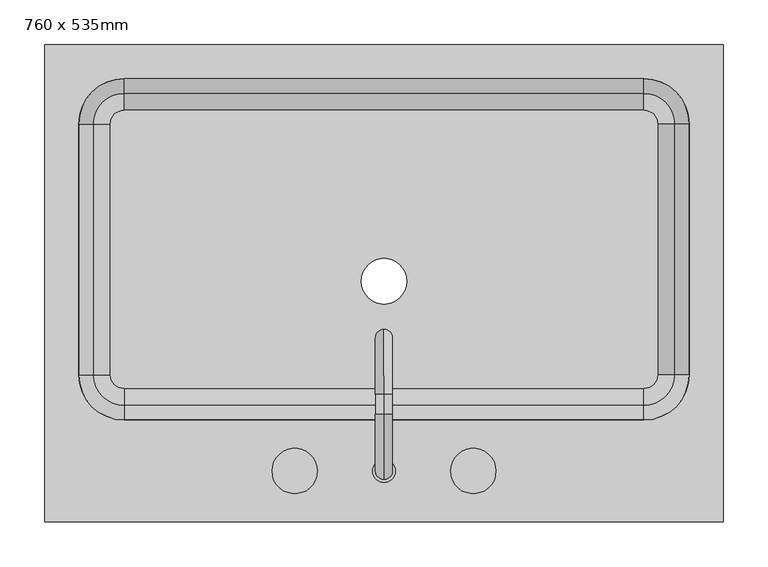
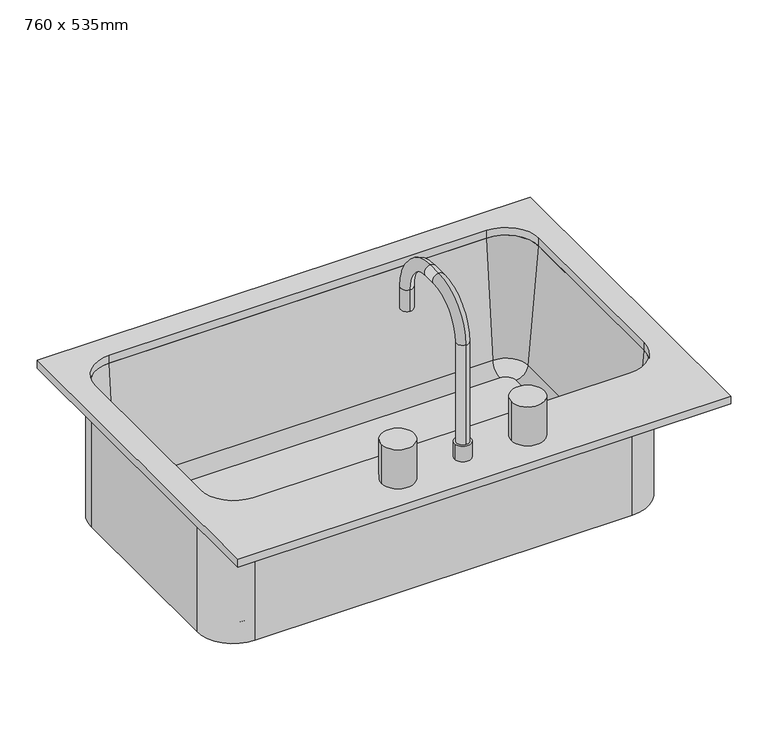
"""IFC4 building model written with IfcOpenShell, lengths in millimetres: flow terminal geometry, 760 x 535mm."""

from ifc_helpers import new_model, si_unit, point, frame, frame_2d, origin, place, context, project, spatial, polyline, circle_curve, ellipse_curve, trimmed, segment, composite_curve, outline, extrude, source, transform, mapped, element, save
from ifc_brep_helpers import plane_surface, cylinder_surface, revolved_surface, advanced_brep


def flow_terminal_760_x_535mm_b3a6edb1(model_context):
    return source(origin(), model_context, "Body", "SolidModel", [
        advanced_brep(
        [(363.9392406, -104.7454011, 684.1), (363.9392406, -104.7454011, 900.0), (306.7892406, -161.8954011, 900.0), (306.7892406, -161.8954011, 684.1), (-275.4107594, -161.8954011, 684.1), (-332.5607594, -104.7454011, 684.1), (-332.5607594, 176.2545989, 684.1), (-275.4107594, 233.4045989, 684.1), (306.7892406, 233.4045989, 684.1), (363.9392406, 176.2545989, 684.1), (-9.7107594, 0.0, 684.1), (41.0892406, 0.0, 684.1), (322.0776588, -104.7454011, 693.625), (322.0776588, 176.2545989, 693.625), (306.7892406, 191.5430171, 693.625), (-275.4107594, 191.5430171, 693.625), (-290.6991776, 176.2545989, 693.625), (-290.6991776, -104.7454011, 693.625), (-275.4107594, -120.0338193, 693.625), (306.7892406, -120.0338193, 693.625), (-9.7107594, 0.0, 693.625), (41.0892406, 0.0, 693.625), (306.7892406, -139.0113283, 711.0146831), (341.0551678, -104.7454011, 711.0146831), (306.7892406, -155.5454011, 900.0), (357.5892406, -104.7454011, 900.0), (363.9392406, 176.2545989, 900.0), (341.0551678, 176.2545989, 711.0146831), (357.5892406, 176.2545989, 900.0), (306.7892406, 233.4045989, 900.0), (306.7892406, 210.5205261, 711.0146831), (306.7892406, 227.0545989, 900.0), (-275.4107594, 233.4045989, 900.0), (-275.4107594, 210.5205261, 711.0146831), (-275.4107594, 227.0545989, 900.0), (-332.5607594, 176.2545989, 900.0), (-309.6766866, 176.2545989, 711.0146831), (-326.2107594, 176.2545989, 900.0), (-332.5607594, -104.7454011, 900.0), (-309.6766866, -104.7454011, 711.0146831), (-326.2107594, -104.7454011, 900.0), (-275.4107594, -161.8954011, 900.0), (-275.4107594, -139.0113283, 711.0146831), (-275.4107594, -155.5454011, 900.0)],
        [
            (0, 1),
            (1, 2, circle_curve(frame((306.7892406, -104.7454011, 900.0), z_axis=(0.0, 0.0, -1.0), x_axis=(0.0, -1.0, 0.0)), 57.15)),
            (2, 3),
            (3, 0, circle_curve(frame((306.7892406, -104.7454011, 684.1), z_axis=(0.0, 0.0, 1.0), x_axis=(0.0, -1.0, 0.0)), 57.15)),
            (3, 4),
            (4, 5, circle_curve(frame((-275.4107594, -104.7454011, 684.1), z_axis=(0.0, 0.0, -1.0), x_axis=(-1.0, 0.0, 0.0)), 57.15)),
            (5, 6),
            (6, 7, circle_curve(frame((-275.4107594, 176.2545989, 684.1), z_axis=(0.0, 0.0, -1.0), x_axis=(0.0, 1.0, 0.0)), 57.15)),
            (7, 8),
            (8, 9, circle_curve(frame((306.7892406, 176.2545989, 684.1), z_axis=(0.0, 0.0, -1.0), x_axis=(1.0, 0.0, 0.0)), 57.15)),
            (9, 0),
            (10, 11, circle_curve(frame((15.6892406, 0.0, 684.1), z_axis=(0.0, 0.0, 1.0), x_axis=(1.0, 0.0, 0.0)), 25.4)),
            (11, 10, circle_curve(frame((15.6892406, 0.0, 684.1), z_axis=(0.0, 0.0, 1.0), x_axis=(1.0, 0.0, 0.0)), 25.4)),
            (12, 13),
            (13, 14, circle_curve(frame((306.7892406, 176.2545989, 693.625), z_axis=(0.0, 0.0, 1.0), x_axis=(1.0, 0.0, 0.0)), 15.2884182)),
            (14, 15),
            (15, 16, circle_curve(frame((-275.4107594, 176.2545989, 693.625), z_axis=(0.0, 0.0, 1.0), x_axis=(0.0, 1.0, 0.0)), 15.2884182)),
            (16, 17),
            (17, 18, circle_curve(frame((-275.4107594, -104.7454011, 693.625), z_axis=(0.0, 0.0, 1.0), x_axis=(-1.0, 0.0, 0.0)), 15.2884182)),
            (18, 19),
            (19, 12, circle_curve(frame((306.7892406, -104.7454011, 693.625), z_axis=(0.0, 0.0, 1.0), x_axis=(0.0, -1.0, 0.0)), 15.2884182)),
            (20, 21, circle_curve(frame((15.6892406, 0.0, 693.625), z_axis=(0.0, 0.0, -1.0), x_axis=(1.0, 0.0, 0.0)), 25.4)),
            (21, 20, circle_curve(frame((15.6892406, 0.0, 693.625), z_axis=(0.0, 0.0, -1.0), x_axis=(1.0, 0.0, 0.0)), 25.4)),
            (19, 22, circle_curve(frame((306.7892406, -120.0338193, 712.675), z_axis=(-1.0, 0.0, 0.0), x_axis=(0.0, -1.0, 0.0)), 19.05)),
            (22, 23, circle_curve(frame((306.7892406, -104.7454011, 711.0146831), z_axis=(0.0, 0.0, 1.0), x_axis=(0.0, -1.0, 0.0)), 34.2659272)),
            (23, 12, circle_curve(frame((322.0776588, -104.7454011, 712.675), z_axis=(0.0, 1.0, 0.0), x_axis=(1.0, 0.0, 0.0)), 19.05)),
            (22, 24),
            (24, 25, circle_curve(frame((306.7892406, -104.7454011, 900.0), z_axis=(0.0, 0.0, 1.0), x_axis=(0.0, -1.0, 0.0)), 50.8)),
            (25, 23),
            (1, 25),
            (24, 2),
            (9, 26),
            (26, 1),
            (23, 27),
            (27, 13, circle_curve(frame((322.0776588, 176.2545989, 712.675), z_axis=(0.0, 1.0, 0.0), x_axis=(1.0, 0.0, 0.0)), 19.05)),
            (25, 28),
            (28, 27),
            (26, 28),
            (8, 29),
            (29, 26, circle_curve(frame((306.7892406, 176.2545989, 900.0), z_axis=(0.0, 0.0, -1.0), x_axis=(1.0, 0.0, 0.0)), 57.15)),
            (27, 30, circle_curve(frame((306.7892406, 176.2545989, 711.0146831), z_axis=(0.0, 0.0, 1.0), x_axis=(1.0, 0.0, 0.0)), 34.2659272)),
            (30, 14, circle_curve(frame((306.7892406, 191.5430171, 712.675), z_axis=(-1.0, 0.0, 0.0), x_axis=(0.0, 1.0, 0.0)), 19.05)),
            (28, 31, circle_curve(frame((306.7892406, 176.2545989, 900.0), z_axis=(0.0, 0.0, 1.0), x_axis=(1.0, 0.0, 0.0)), 50.8)),
            (31, 30),
            (29, 31),
            (7, 32),
            (32, 29),
            (30, 33),
            (33, 15, circle_curve(frame((-275.4107594, 191.5430171, 712.675), z_axis=(-1.0, 0.0, 0.0), x_axis=(0.0, 1.0, 0.0)), 19.05)),
            (31, 34),
            (34, 33),
            (32, 34),
            (6, 35),
            (35, 32, circle_curve(frame((-275.4107594, 176.2545989, 900.0), z_axis=(0.0, 0.0, -1.0), x_axis=(0.0, 1.0, 0.0)), 57.15)),
            (33, 36, circle_curve(frame((-275.4107594, 176.2545989, 711.0146831), z_axis=(0.0, 0.0, 1.0), x_axis=(0.0, 1.0, 0.0)), 34.2659272)),
            (36, 16, circle_curve(frame((-290.6991776, 176.2545989, 712.675), z_axis=(0.0, -1.0, 0.0), x_axis=(-1.0, 0.0, 0.0)), 19.05)),
            (34, 37, circle_curve(frame((-275.4107594, 176.2545989, 900.0), z_axis=(0.0, 0.0, 1.0), x_axis=(0.0, 1.0, 0.0)), 50.8)),
            (37, 36),
            (35, 37),
            (5, 38),
            (38, 35),
            (36, 39),
            (39, 17, circle_curve(frame((-290.6991776, -104.7454011, 712.675), z_axis=(0.0, -1.0, 0.0), x_axis=(-1.0, 0.0, 0.0)), 19.05)),
            (37, 40),
            (40, 39),
            (38, 40),
            (4, 41),
            (41, 38, circle_curve(frame((-275.4107594, -104.7454011, 900.0), z_axis=(0.0, 0.0, -1.0), x_axis=(-1.0, 0.0, 0.0)), 57.15)),
            (39, 42, circle_curve(frame((-275.4107594, -104.7454011, 711.0146831), z_axis=(0.0, 0.0, 1.0), x_axis=(-1.0, 0.0, 0.0)), 34.2659272)),
            (42, 18, circle_curve(frame((-275.4107594, -120.0338193, 712.675), z_axis=(1.0, 0.0, 0.0), x_axis=(0.0, -1.0, 0.0)), 19.05)),
            (40, 43, circle_curve(frame((-275.4107594, -104.7454011, 900.0), z_axis=(0.0, 0.0, 1.0), x_axis=(-1.0, 0.0, 0.0)), 50.8)),
            (43, 42),
            (41, 43),
            (2, 41),
            (42, 22),
            (43, 24),
            (21, 11),
            (10, 20),
        ],
        [
            cylinder_surface(frame((306.7892406, -104.7454011, 0.0), z_axis=(0.0, 0.0, -1.0), x_axis=(0.0, -1.0, 0.0)), 57.15),
            plane_surface(frame((306.7892406, -104.7454011, 684.1), z_axis=(0.0, 0.0, -1.0), x_axis=(0.0, -1.0, 0.0))),
            plane_surface(frame((306.7892406, -104.7454011, 693.625), z_axis=(0.0, 0.0, 1.0), x_axis=(0.0, -1.0, 0.0))),
            revolved_surface(trimmed(ellipse_curve(frame((306.7892406, -120.0338193, 712.675), z_axis=(-1.0, 0.0, 0.0), x_axis=(0.0, -1.0, 0.0)), 19.05, 19.05), [point((306.7892406, -120.0338193, 693.625))], [point((306.7892406, -139.0113283, 711.0146831))], True, "CARTESIAN"), (306.7892406, -104.7454011, 0.0), (0.0, 0.0, -1.0)),
            revolved_surface(polyline([(306.7892406, -139.0113283, 711.0146831), (306.7892406, -155.5454011, 900.0)]), (306.7892406, -104.7454011, 0.0), (0.0, 0.0, -1.0)),
            plane_surface(frame((306.7892406, -104.7454011, 900.0), z_axis=(0.0, 0.0, 1.0), x_axis=(0.0, -1.0, 0.0))),
            plane_surface(frame((363.9392406, -104.7454011, 900.0), z_axis=(1.0, 0.0, 0.0), x_axis=(0.0, 1.0, 0.0))),
            revolved_surface(polyline([(341.1276588, 176.25459890000002, 712.675), (341.1276588, -104.7454011, 712.675)]), (322.0776588, -104.7454011, 712.675), (0.0, 1.0, 0.0)),
            plane_surface(frame((341.0551678, -104.7454011, 711.0146831), z_axis=(-0.9961946980917443, 0.0, 0.08715574274767235), x_axis=(0.0, 1.0, 0.0))),
            plane_surface(frame((357.5892406, -104.7454011, 900.0), z_axis=(0.0, 0.0, 1.0), x_axis=(0.0, 1.0, 0.0))),
            cylinder_surface(frame((306.7892406, 176.2545989, 0.0), z_axis=(0.0, 0.0, -1.0), x_axis=(1.0, 0.0, 0.0)), 57.15),
            revolved_surface(trimmed(ellipse_curve(frame((322.0776588, 176.2545989, 712.675), z_axis=(0.0, -1.0, 0.0), x_axis=(1.0, 0.0, 0.0)), 19.05, 19.05), [point((322.0776588, 176.2545989, 693.625))], [point((341.0551678, 176.2545989, 711.0146831))], True, "CARTESIAN"), (306.7892406, 176.2545989, 0.0), (0.0, 0.0, -1.0)),
            revolved_surface(polyline([(341.0551678, 176.2545989, 711.0146831), (357.5892406, 176.2545989, 900.0)]), (306.7892406, 176.2545989, 0.0), (0.0, 0.0, -1.0)),
            plane_surface(frame((306.7892406, 176.2545989, 900.0), z_axis=(0.0, 0.0, 1.0), x_axis=(1.0, 0.0, 0.0))),
            plane_surface(frame((306.7892406, 233.4045989, 900.0), z_axis=(0.0, 1.0, 0.0), x_axis=(-1.0, 0.0, 0.0))),
            revolved_surface(polyline([(-275.4107594, 210.5930171, 712.675), (306.7892406, 210.5930171, 712.675)]), (306.7892406, 191.5430171, 712.675), (-1.0, 0.0, 0.0)),
            plane_surface(frame((306.7892406, 210.5205261, 711.0146831), z_axis=(0.0, -0.9961946980917443, 0.08715574274767235), x_axis=(-1.0, 0.0, 0.0))),
            plane_surface(frame((306.7892406, 227.0545989, 900.0), z_axis=(0.0, 0.0, 1.0), x_axis=(-1.0, 0.0, 0.0))),
            cylinder_surface(frame((-275.4107594, 176.2545989, 0.0), z_axis=(0.0, 0.0, -1.0), x_axis=(0.0, 1.0, 0.0)), 57.15),
            revolved_surface(trimmed(ellipse_curve(frame((-275.4107594, 191.5430171, 712.675), z_axis=(1.0, 0.0, 0.0), x_axis=(0.0, 1.0, 0.0)), 19.05, 19.05), [point((-275.4107594, 191.5430171, 693.625))], [point((-275.4107594, 210.5205261, 711.0146831))], True, "CARTESIAN"), (-275.4107594, 176.2545989, 0.0), (0.0, 0.0, -1.0)),
            revolved_surface(polyline([(-275.4107594, 210.5205261, 711.0146831), (-275.4107594, 227.0545989, 900.0)]), (-275.4107594, 176.2545989, 0.0), (0.0, 0.0, -1.0)),
            plane_surface(frame((-275.4107594, 176.2545989, 900.0), z_axis=(0.0, 0.0, 1.0), x_axis=(0.0, 1.0, 0.0))),
            plane_surface(frame((-332.5607594, 176.2545989, 900.0), z_axis=(-1.0, 0.0, 0.0), x_axis=(0.0, -1.0, 0.0))),
            revolved_surface(polyline([(-309.7491776, -104.74540110000001, 712.675), (-309.7491776, 176.2545989, 712.675)]), (-290.6991776, 176.2545989, 712.675), (0.0, -1.0, 0.0)),
            plane_surface(frame((-309.6766866, 176.2545989, 711.0146831), z_axis=(0.9961946980917443, 0.0, 0.08715574274767235), x_axis=(0.0, -1.0, 0.0))),
            plane_surface(frame((-326.2107594, 176.2545989, 900.0), z_axis=(0.0, 0.0, 1.0), x_axis=(0.0, -1.0, 0.0))),
            cylinder_surface(frame((-275.4107594, -104.7454011, 0.0), z_axis=(0.0, 0.0, -1.0), x_axis=(-1.0, 0.0, 0.0)), 57.15),
            revolved_surface(trimmed(ellipse_curve(frame((-290.6991776, -104.7454011, 712.675), z_axis=(0.0, 1.0, 0.0), x_axis=(-1.0, 0.0, 0.0)), 19.05, 19.05), [point((-290.6991776, -104.7454011, 693.625))], [point((-309.6766866, -104.7454011, 711.0146831))], True, "CARTESIAN"), (-275.4107594, -104.7454011, 0.0), (0.0, 0.0, -1.0)),
            revolved_surface(polyline([(-309.6766866, -104.7454011, 711.0146831), (-326.2107594, -104.7454011, 900.0)]), (-275.4107594, -104.7454011, 0.0), (0.0, 0.0, -1.0)),
            plane_surface(frame((-275.4107594, -104.7454011, 900.0), z_axis=(0.0, 0.0, 1.0), x_axis=(-1.0, 0.0, 0.0))),
            plane_surface(frame((-275.4107594, -161.8954011, 900.0), z_axis=(0.0, -1.0, 0.0), x_axis=(1.0, 0.0, 0.0))),
            revolved_surface(polyline([(306.7892406, -139.08381930000002, 712.675), (-275.4107594, -139.08381930000002, 712.675)]), (-275.4107594, -120.0338193, 712.675), (1.0, 0.0, 0.0)),
            plane_surface(frame((-275.4107594, -139.0113283, 711.0146831), z_axis=(0.0, 0.9961946980917443, 0.08715574274767235), x_axis=(1.0, 0.0, 0.0))),
            plane_surface(frame((-275.4107594, -155.5454011, 900.0), z_axis=(0.0, 0.0, 1.0), x_axis=(1.0, 0.0, 0.0))),
            revolved_surface(polyline([(41.0892406, 0.0, 684.1), (41.0892406, 0.0, 693.625)]), (15.6892406, 0.0, 0.0), (0.0, 0.0, -1.0)),
        ],
        [
            (0, [[1, 2, 3, 4]]),
            (1, [[5, 6, 7, 8, 9, 10, 11, -4], [12, 13]]),
            (2, [[14, 15, 16, 17, 18, 19, 20, 21], [22, 23]]),
            (3, [[24, 25, 26, -21]]),
            (4, [[27, 28, 29, -25]]),
            (5, [[30, -28, 31, -2]]),
            (6, [[-11, 32, 33, -1]]),
            (7, [[34, 35, -14, -26]]),
            (8, [[36, 37, -34, -29]]),
            (9, [[-33, 38, -36, -30]]),
            (10, [[-10, 39, 40, -32]]),
            (11, [[41, 42, -15, -35]]),
            (12, [[43, 44, -41, -37]]),
            (13, [[-40, 45, -43, -38]]),
            (14, [[-9, 46, 47, -39]]),
            (15, [[48, 49, -16, -42]]),
            (16, [[50, 51, -48, -44]]),
            (17, [[-47, 52, -50, -45]]),
            (18, [[-8, 53, 54, -46]]),
            (19, [[55, 56, -17, -49]]),
            (20, [[57, 58, -55, -51]]),
            (21, [[-54, 59, -57, -52]]),
            (22, [[-7, 60, 61, -53]]),
            (23, [[62, 63, -18, -56]]),
            (24, [[64, 65, -62, -58]]),
            (25, [[-61, 66, -64, -59]]),
            (26, [[-6, 67, 68, -60]]),
            (27, [[69, 70, -19, -63]]),
            (28, [[71, 72, -69, -65]]),
            (29, [[-68, 73, -71, -66]]),
            (30, [[74, -67, -5, -3]]),
            (31, [[-20, -70, 75, -24]]),
            (32, [[-75, -72, 76, -27]]),
            (33, [[-76, -73, -74, -31]]),
            (34, [[77, -12, 78, -23]]),
            (34, [[-78, -13, -77, -22]]),
        ],
    ),
        advanced_brep(
        [(2.9892406, -212.6954011, 938.1), (28.3892406, -212.6954011, 938.1), (15.6892406, -222.2204011, 938.1), (15.6892406, -203.1704011, 938.1), (2.9892406, -212.6954011, 912.7), (28.3892406, -212.6954011, 912.7), (15.6892406, -222.2204011, 1100.025), (15.6892406, -203.1704011, 1100.025), (15.6892406, -149.1954011, 1154.0), (15.6892406, -149.1954011, 1173.05), (15.6892406, -126.9704011, 1154.0), (15.6892406, -126.9704011, 1173.05), (15.6892406, -72.9954011, 1100.025), (15.6892406, -53.9454011, 1100.025), (15.6892406, -53.9454011, 1065.1), (15.6892406, -72.9954011, 1065.1)],
        [
            (0, 1, circle_curve(frame((15.6892406, -212.6954011, 938.1), z_axis=(0.0, 0.0, 1.0), x_axis=(1.0, 0.0, 0.0)), 12.7)),
            (1, 0, circle_curve(frame((15.6892406, -212.6954011, 938.1), z_axis=(0.0, 0.0, 1.0), x_axis=(1.0, 0.0, 0.0)), 12.7)),
            (2, 3, circle_curve(frame((15.6892406, -212.6954011, 938.1), z_axis=(0.0, 0.0, -1.0), x_axis=(0.0, 1.0, 0.0)), 9.525)),
            (3, 2, circle_curve(frame((15.6892406, -212.6954011, 938.1), z_axis=(0.0, 0.0, -1.0), x_axis=(0.0, 1.0, 0.0)), 9.525)),
            (4, 5, circle_curve(frame((15.6892406, -212.6954011, 912.7), z_axis=(0.0, 0.0, -1.0), x_axis=(1.0, 0.0, 0.0)), 12.7)),
            (5, 4, circle_curve(frame((15.6892406, -212.6954011, 912.7), z_axis=(0.0, 0.0, -1.0), x_axis=(1.0, 0.0, 0.0)), 12.7)),
            (1, 5),
            (4, 0),
            (6, 2),
            (3, 7),
            (7, 6, circle_curve(frame((15.6892406, -212.6954011, 1100.025), z_axis=(0.0, 0.0, -1.0), x_axis=(0.0, 1.0, 0.0)), 9.525)),
            (6, 7, circle_curve(frame((15.6892406, -212.6954011, 1100.025), z_axis=(0.0, 0.0, -1.0), x_axis=(0.0, 1.0, 0.0)), 9.525)),
            (7, 8, circle_curve(frame((15.6892406, -149.1954011, 1100.025), z_axis=(-1.0, 0.0, 0.0), x_axis=(0.0, -1.0, 0.0)), 53.975)),
            (8, 9, circle_curve(frame((15.6892406, -149.1954011, 1163.525), z_axis=(0.0, -1.0, 0.0), x_axis=(0.0, 0.0, -1.0)), 9.525)),
            (9, 6, circle_curve(frame((15.6892406, -149.1954011, 1100.025), z_axis=(1.0, 0.0, 0.0), x_axis=(0.0, -1.0, 0.0)), 73.025)),
            (9, 8, circle_curve(frame((15.6892406, -149.1954011, 1163.525), z_axis=(0.0, -1.0, 0.0), x_axis=(0.0, 0.0, -1.0)), 9.525)),
            (8, 10),
            (10, 11, circle_curve(frame((15.6892406, -126.9704011, 1163.525), z_axis=(0.0, -1.0, 0.0), x_axis=(0.0, 0.0, -1.0)), 9.525)),
            (11, 9),
            (11, 10, circle_curve(frame((15.6892406, -126.9704011, 1163.525), z_axis=(0.0, -1.0, 0.0), x_axis=(0.0, 0.0, -1.0)), 9.525)),
            (10, 12, circle_curve(frame((15.6892406, -126.9704011, 1100.025), z_axis=(-1.0, 0.0, 0.0), x_axis=(0.0, 0.0, 1.0)), 53.975)),
            (12, 13, circle_curve(frame((15.6892406, -63.4704011, 1100.025), z_axis=(0.0, 0.0, 1.0), x_axis=(0.0, -1.0, 0.0)), 9.525)),
            (13, 11, circle_curve(frame((15.6892406, -126.9704011, 1100.025), z_axis=(1.0, 0.0, 0.0), x_axis=(0.0, 0.0, 1.0)), 73.025)),
            (13, 12, circle_curve(frame((15.6892406, -63.4704011, 1100.025), z_axis=(0.0, 0.0, 1.0), x_axis=(0.0, -1.0, 0.0)), 9.525)),
            (14, 15, circle_curve(frame((15.6892406, -63.4704011, 1065.1), z_axis=(0.0, 0.0, -1.0), x_axis=(0.0, -1.0, 0.0)), 9.525)),
            (15, 14, circle_curve(frame((15.6892406, -63.4704011, 1065.1), z_axis=(0.0, 0.0, -1.0), x_axis=(0.0, -1.0, 0.0)), 9.525)),
            (12, 15),
            (14, 13),
        ],
        [
            plane_surface(frame((28.3892406, -212.6954011, 938.1), z_axis=(0.0, 0.0, 1.0), x_axis=(0.0, -1.0, 0.0))),
            plane_surface(frame((28.3892406, -212.6954011, 912.7), z_axis=(0.0, 0.0, -1.0), x_axis=(0.0, 1.0, 0.0))),
            cylinder_surface(frame((15.6892406, -212.6954011, 912.7), z_axis=(0.0, 0.0, 1.0), x_axis=(1.0, 0.0, 0.0)), 12.7),
            cylinder_surface(frame((15.6892406, -212.6954011, 912.7), z_axis=(0.0, 0.0, -1.0), x_axis=(0.0, 1.0, 0.0)), 9.525),
            revolved_surface(trimmed(ellipse_curve(frame((15.6892406, -212.6954011, 1100.025), z_axis=(0.0, 0.0, 1.0), x_axis=(0.0, 1.0, 0.0)), 9.525, 9.525), [point((15.6892406, -222.2204011, 1100.025))], [point((15.6892406, -203.1704011, 1100.025))], True, "CARTESIAN"), (15.6892406, -149.1954011, 1100.025), (1.0, 0.0, 0.0)),
            revolved_surface(trimmed(ellipse_curve(frame((15.6892406, -212.6954011, 1100.025), z_axis=(0.0, 0.0, 1.0), x_axis=(0.0, 1.0, 0.0)), 9.525, 9.525), [point((15.6892406, -203.1704011, 1100.025))], [point((15.6892406, -222.2204011, 1100.025))], True, "CARTESIAN"), (15.6892406, -149.1954011, 1100.025), (1.0, 0.0, 0.0)),
            cylinder_surface(frame((15.6892406, -149.1954011, 1163.525), z_axis=(0.0, -1.0, 0.0), x_axis=(0.0, 0.0, -1.0)), 9.525),
            revolved_surface(trimmed(ellipse_curve(frame((15.6892406, -126.9704011, 1163.525), z_axis=(0.0, 1.0, 0.0), x_axis=(0.0, 0.0, -1.0)), 9.525, 9.525), [point((15.6892406, -126.9704011, 1173.05))], [point((15.6892406, -126.9704011, 1154.0))], True, "CARTESIAN"), (15.6892406, -126.9704011, 1100.025), (1.0, 0.0, 0.0)),
            revolved_surface(trimmed(ellipse_curve(frame((15.6892406, -126.9704011, 1163.525), z_axis=(0.0, 1.0, 0.0), x_axis=(0.0, 0.0, -1.0)), 9.525, 9.525), [point((15.6892406, -126.9704011, 1154.0))], [point((15.6892406, -126.9704011, 1173.05))], True, "CARTESIAN"), (15.6892406, -126.9704011, 1100.025), (1.0, 0.0, 0.0)),
            plane_surface(frame((15.6892406, -53.9454011, 1065.1), z_axis=(0.0, 0.0, -1.0), x_axis=(-1.0, 0.0, 0.0))),
            cylinder_surface(frame((15.6892406, -63.4704011, 1100.025), z_axis=(0.0, 0.0, 1.0), x_axis=(0.0, -1.0, 0.0)), 9.525),
        ],
        [
            (0, [[1, 2], [3, 4]]),
            (1, [[5, 6]]),
            (2, [[7, -5, 8, -2]]),
            (2, [[-8, -6, -7, -1]]),
            (3, [[9, -4, 10, 11]]),
            (3, [[-10, -3, -9, 12]]),
            (4, [[13, 14, 15, -11]]),
            (5, [[-15, 16, -13, -12]]),
            (6, [[17, 18, 19, -14]]),
            (6, [[-19, 20, -17, -16]]),
            (7, [[21, 22, 23, -18]]),
            (8, [[-23, 24, -21, -20]]),
            (9, [[25, 26]]),
            (10, [[27, -25, 28, -22]]),
            (10, [[-28, -26, -27, -24]]),
        ],
    ),
        extrude(outline(composite_curve([segment(trimmed(circle_curve(frame_2d((-84.3107594, -212.6954011)), 25.4), [point((-109.7107594, -212.6954011))], [point((-58.9107594, -212.6954011))], False, "CARTESIAN"), True, "CONTINUOUS"), segment(trimmed(circle_curve(frame_2d((-84.3107594, -212.6954011)), 25.4), [point((-58.9107594, -212.6954011))], [point((-109.7107594, -212.6954011))], False, "CARTESIAN"), True, "CONTINUOUS")], self_intersect=False)), frame((0.0, 0.0, 912.7), z_axis=(0.0, 0.0, 1.0), x_axis=(1.0, 0.0, 0.0)), (0.0, 0.0, 1.0), 63.5),
        extrude(outline(composite_curve([segment(trimmed(circle_curve(frame_2d((115.6892406, -212.6954011)), 25.4), [point((90.2892406, -212.6954011))], [point((141.0892406, -212.6954011))], False, "CARTESIAN"), True, "CONTINUOUS"), segment(trimmed(circle_curve(frame_2d((115.6892406, -212.6954011)), 25.4), [point((141.0892406, -212.6954011))], [point((90.2892406, -212.6954011))], False, "CARTESIAN"), True, "CONTINUOUS")], self_intersect=False)), frame((0.0, 0.0, 912.7), z_axis=(0.0, 0.0, 1.0), x_axis=(1.0, 0.0, 0.0)), (0.0, 0.0, 1.0), 63.5),
        extrude(outline(polyline([(395.6892406, -269.8454011), (-364.3107594, -269.8454011), (-364.3107594, 265.1545989), (395.6892406, 265.1545989), (395.6892406, -269.8454011)]), holes=[composite_curve([segment(trimmed(circle_curve(frame_2d((306.7892406, -104.7454011)), 50.8), [point((306.7892406, -155.5454011))], [point((357.5892406, -104.7454011))], True, "CARTESIAN"), True, "CONTINUOUS"), segment(polyline([(357.5892406, -104.7454011), (357.5892406, 176.2545989)]), True, "CONTINUOUS"), segment(trimmed(circle_curve(frame_2d((306.7892406, 176.2545989)), 50.8), [point((357.5892406, 176.2545989))], [point((306.7892406, 227.0545989))], True, "CARTESIAN"), True, "CONTINUOUS"), segment(polyline([(306.7892406, 227.0545989), (-275.4107594, 227.0545989)]), True, "CONTINUOUS"), segment(trimmed(circle_curve(frame_2d((-275.4107594, 176.2545989)), 50.8), [point((-275.4107594, 227.0545989))], [point((-326.2107594, 176.2545989))], True, "CARTESIAN"), True, "CONTINUOUS"), segment(polyline([(-326.2107594, 176.2545989), (-326.2107594, -104.7454011)]), True, "CONTINUOUS"), segment(trimmed(circle_curve(frame_2d((-275.4107594, -104.7454011)), 50.8), [point((-326.2107594, -104.7454011))], [point((-275.4107594, -155.5454011))], True, "CARTESIAN"), True, "CONTINUOUS"), segment(polyline([(-275.4107594, -155.5454011), (306.7892406, -155.5454011)]), True, "CONTINUOUS")], self_intersect=False)]), frame((0.0, 0.0, 900.0), z_axis=(0.0, 0.0, 1.0), x_axis=(1.0, 0.0, 0.0)), (0.0, 0.0, 1.0), 12.7),
    ])


if __name__ == "__main__":
    model = new_model("IFC4")
    model_context = context("Model", 3, world=origin())
    ifc_project = project(units=[si_unit("LENGTHUNIT", "METRE", prefix="MILLI")], contexts=[model_context])
    site = spatial("IfcSite", under=ifc_project)
    building = spatial("IfcBuilding", under=site)
    placement = place(None, origin())
    flow_terminal_760_x_535mm_shape = flow_terminal_760_x_535mm_b3a6edb1(model_context)
    element("IfcFlowTerminal", 1, ObjectType="760 x 535mm", at=placement, inside=building, context=model_context, shape_type="MappedRepresentation", body=[
        mapped(flow_terminal_760_x_535mm_shape, transform((0.0, 0.0, 0.0), x_axis=(1.0, 0.0, 0.0), y_axis=(0.0, 1.0, 0.0), z_axis=(0.0, 0.0, 1.0))),
    ])
    save(model, "model.ifc")
